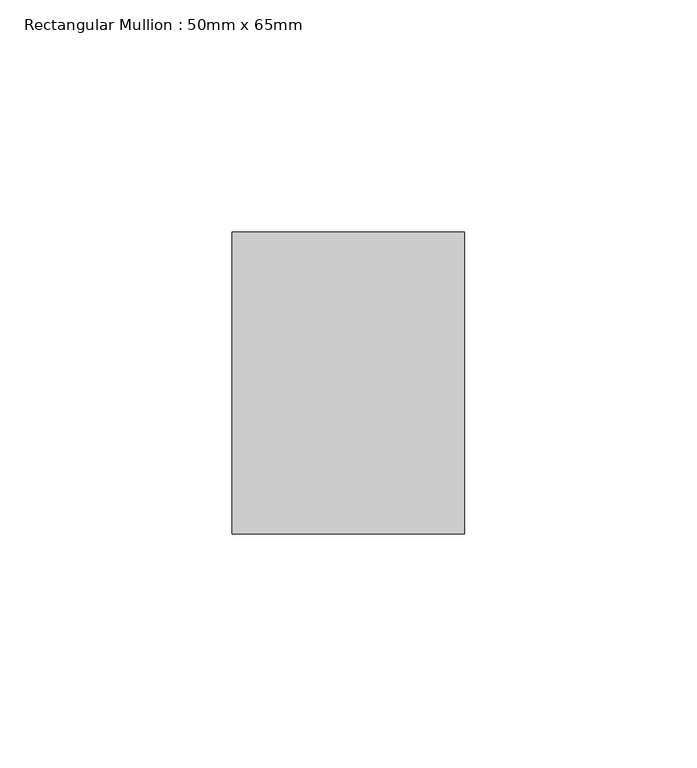
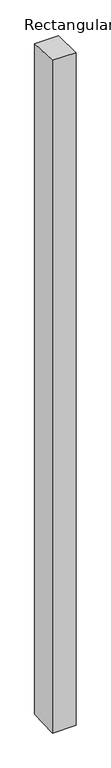
"""IFC4 building model written with IfcOpenShell, lengths in millimetres: member geometry, Rectangular Mullion : 50mm x 65mm."""

from ifc_helpers import new_model, si_unit, origin, place, context, project, spatial, faceted_brep, source, transform, mapped, element, save


def rectangular_mullion_50mm_x_65mm_705b562a(model_context):
    return source(origin(), model_context, "Body", "Brep", [
        faceted_brep([(-25.0, 32.5, -1.1419531), (25.0, 32.5, -1.1419485), (25.0, 32.5, -1498.5319786), (-25.0, 32.5, -1498.5319727), (-25.0, -32.5, 1.1419485), (-25.0, -32.5, -1501.4673242), (25.0, -32.5, 1.1419531), (25.0, -32.5, -1501.4673301)], [[[0, 1, 2, 3]], [[4, 0, 3, 5]], [[6, 4, 5, 7]], [[1, 6, 7, 2]], [[1, 0, 4, 6]], [[2, 7, 5, 3]]]),
    ])


if __name__ == "__main__":
    model = new_model("IFC4")
    model_context = context("Model", 3, world=origin())
    ifc_project = project(units=[si_unit("LENGTHUNIT", "METRE", prefix="MILLI")], contexts=[model_context])
    site = spatial("IfcSite", under=ifc_project)
    building = spatial("IfcBuilding", under=site)
    placement = place(None, origin())
    rectangular_mullion_50mm_x_65mm_shape = rectangular_mullion_50mm_x_65mm_705b562a(model_context)
    element("IfcMember", 1, ObjectType="Rectangular Mullion : 50mm x 65mm", at=placement, inside=building, context=model_context, shape_type="MappedRepresentation", body=[
        mapped(rectangular_mullion_50mm_x_65mm_shape, transform((0.0, 0.0, 0.0), x_axis=(1.0, 0.0, 0.0), y_axis=(0.0, 1.0, 0.0), z_axis=(0.0, 0.0, 1.0))),
    ])
    save(model, "model.ifc")
